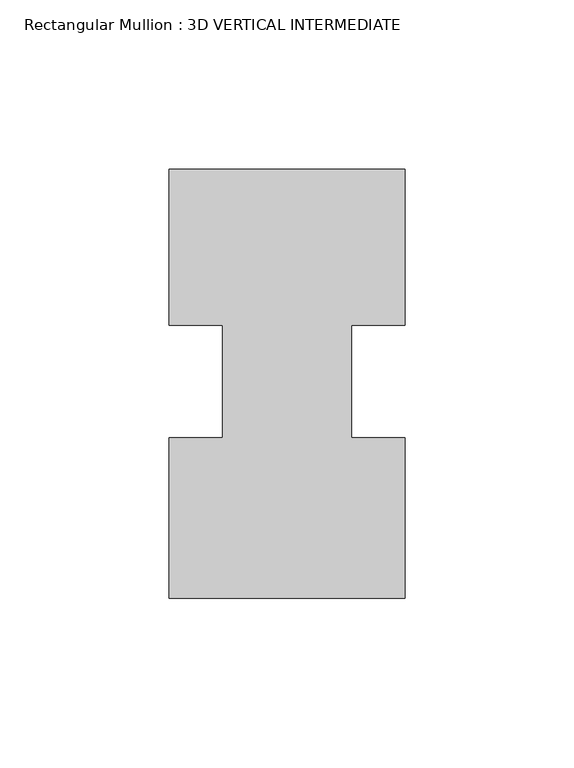
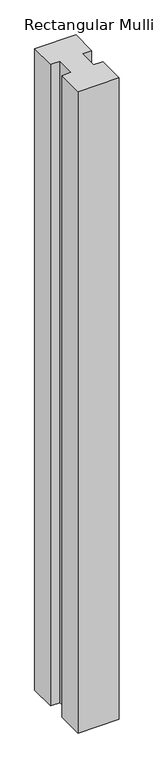
"""IFC4 building model written with IfcOpenShell, lengths in millimetres: member geometry, Rectangular Mullion : 3D VERTICAL INTERMEDIATE."""

from ifc_helpers import new_model, si_unit, frame, origin, place, context, project, spatial, polyline, outline, extrude, source, transform, mapped, element, save


def rectangular_mullion_3d_vertical_intermediate_e3110bfa(model_context):
    return source(origin(), model_context, "Body", "SweptSolid", [
        extrude(outline(polyline([(35.0173164, 62.8615883), (35.0173164, 16.6786782), (19.1423164, 16.6786782), (19.1423164, -16.6786782), (35.0173157, -16.6786782), (35.0173157, -64.1384117), (-34.925, -64.1384117), (-34.925, -16.6786782), (-19.05, -16.6786782), (-19.05, 16.6786782), (-34.925, 16.6786782), (-34.925, 62.8615883), (35.0173164, 62.8615883)])), frame((0.0, 0.0, -1149.2035987), z_axis=(0.0, 0.0, 1.0), x_axis=(1.0, 0.0, 0.0)), (0.0, 0.0, 1.0), 1149.2035987),
    ])


if __name__ == "__main__":
    model = new_model("IFC4")
    model_context = context("Model", 3, world=origin())
    ifc_project = project(units=[si_unit("LENGTHUNIT", "METRE", prefix="MILLI")], contexts=[model_context])
    site = spatial("IfcSite", under=ifc_project)
    building = spatial("IfcBuilding", under=site)
    placement = place(None, origin())
    rectangular_mullion_3d_vertical_intermediate_shape = rectangular_mullion_3d_vertical_intermediate_e3110bfa(model_context)
    element("IfcMember", 1, ObjectType="Rectangular Mullion : 3D VERTICAL INTERMEDIATE", at=placement, inside=building, context=model_context, shape_type="MappedRepresentation", body=[
        mapped(rectangular_mullion_3d_vertical_intermediate_shape, transform((0.0, 0.0, 0.0), x_axis=(1.0, 0.0, 0.0), y_axis=(0.0, 1.0, 0.0), z_axis=(0.0, 0.0, 1.0))),
    ])
    save(model, "model.ifc")
